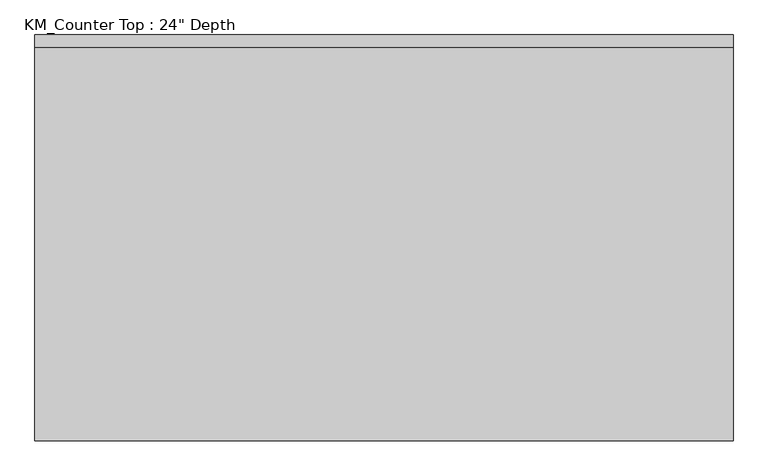
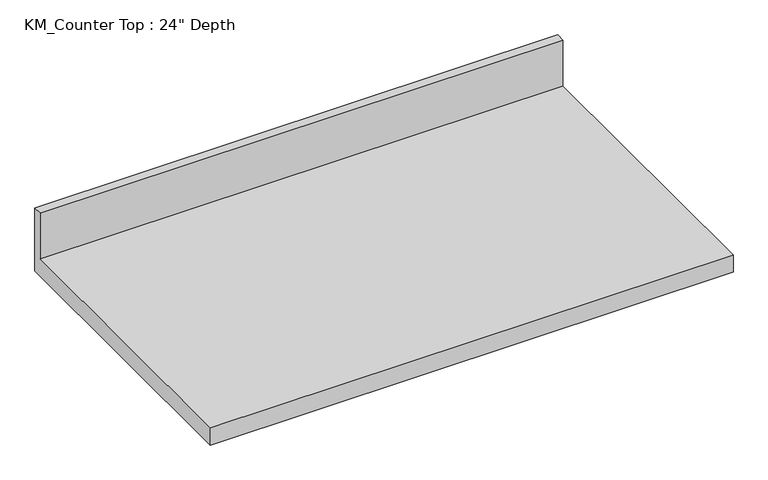
"""IFC4 building model written with IfcOpenShell, lengths in millimetres: furniture geometry."""

from ifc_helpers import new_model, si_unit, frame, origin, place, context, project, spatial, polyline, outline, extrude, source, transform, mapped, element, save


def furniture_24c087c7(model_context):
    return source(origin(), model_context, "Body", "SweptSolid", [
        extrude(outline(polyline([(0.0, 965.2), (0.0, 825.5), (-635.0, 825.5), (-635.0, 863.6), (-19.05, 863.6), (-19.05, 965.2), (0.0, 965.2)])), frame((-1200.4622951, 0.0, 0.0), z_axis=(1.0, 0.0, 0.0), x_axis=(0.0, 1.0, 0.0)), (0.0, 0.0, 1.0), 1092.2),
    ])


if __name__ == "__main__":
    model = new_model("IFC4")
    model_context = context("Model", 3, world=origin())
    ifc_project = project(units=[si_unit("LENGTHUNIT", "METRE", prefix="MILLI")], contexts=[model_context])
    site = spatial("IfcSite", under=ifc_project)
    building = spatial("IfcBuilding", under=site)
    placement = place(None, origin())
    furniture_shape = furniture_24c087c7(model_context)
    element("IfcFurniture", 1, ObjectType="KM_Counter Top : 24\" Depth", at=placement, inside=building, context=model_context, shape_type="MappedRepresentation", body=[
        mapped(furniture_shape, transform((0.0, 0.0, 0.0), x_axis=(1.0, 0.0, 0.0), y_axis=(0.0, 1.0, 0.0), z_axis=(0.0, 0.0, 1.0))),
    ])
    save(model, "model.ifc")
